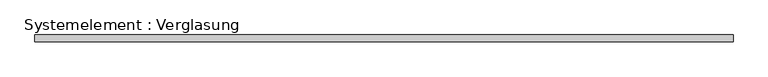
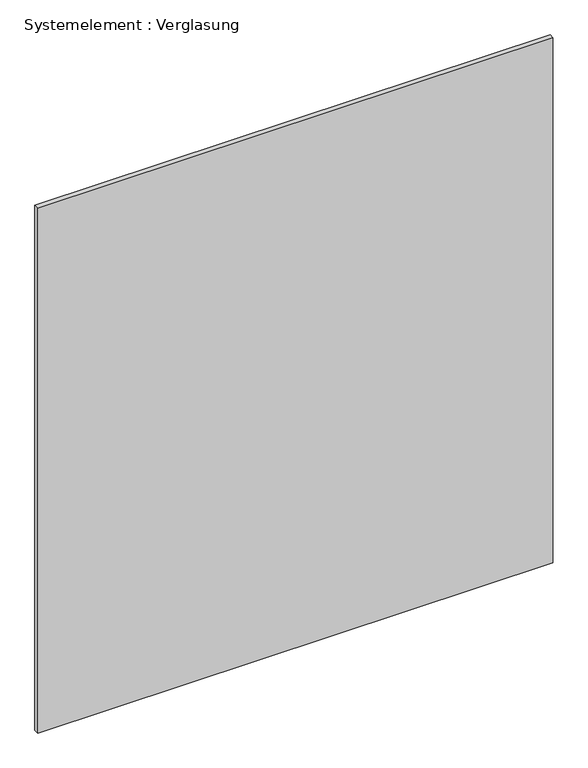
"""IFC4 building model written with IfcOpenShell, lengths in millimetres: plate geometry, Systemelement : Verglasung."""

from ifc_helpers import new_model, si_unit, origin, origin_with_axes, place, context, project, spatial, polyline, outline, extrude, source, transform, mapped, element, save


def systemelement_verglasung_bbb95ce3(model_context):
    return source(origin(), model_context, "Body", "SweptSolid", [
        extrude(outline(polyline([(1527.5321742, -15.0), (-1527.5321742, -15.0), (-1527.5321742, 15.0), (1527.5321742, 15.0), (1527.5321742, -15.0)])), origin_with_axes(), (0.0, 0.0, 1.0), 3290.0),
    ])


if __name__ == "__main__":
    model = new_model("IFC4")
    model_context = context("Model", 3, world=origin())
    ifc_project = project(units=[si_unit("LENGTHUNIT", "METRE", prefix="MILLI")], contexts=[model_context])
    site = spatial("IfcSite", under=ifc_project)
    building = spatial("IfcBuilding", under=site)
    placement = place(None, origin())
    systemelement_verglasung_shape = systemelement_verglasung_bbb95ce3(model_context)
    element("IfcPlate", 1, ObjectType="Systemelement : Verglasung", at=placement, inside=building, context=model_context, shape_type="MappedRepresentation", body=[
        mapped(systemelement_verglasung_shape, transform((0.0, 0.0, 0.0), x_axis=(1.0, 0.0, 0.0), y_axis=(0.0, 1.0, 0.0), z_axis=(0.0, 0.0, 1.0))),
    ])
    save(model, "model.ifc")
